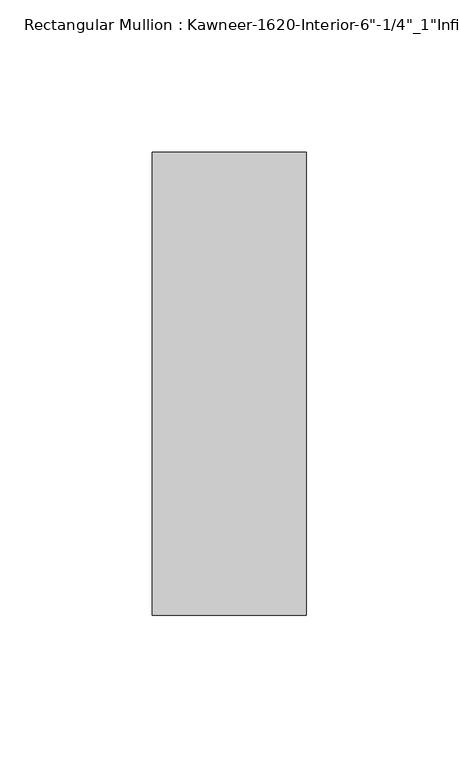
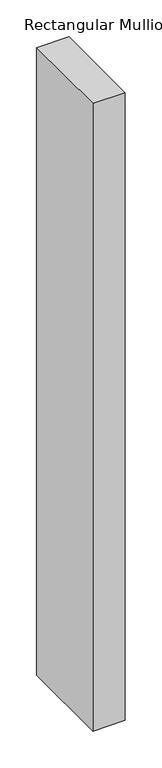
"""IFC4 building model written with IfcOpenShell, lengths in millimetres: member geometry."""

from ifc_helpers import new_model, si_unit, frame, origin, place, context, project, spatial, polyline, outline, extrude, source, transform, mapped, element, save


def member_d7b716b3(model_context):
    return source(origin(), model_context, "Body", "SweptSolid", [
        extrude(outline(polyline([(25.4, -123.825), (-25.4, -123.825), (-25.4, 28.575), (25.4, 28.575), (25.4, -123.825)])), frame((0.0, 0.0, -1039.8125), z_axis=(0.0, 0.0, 1.0), x_axis=(1.0, 0.0, 0.0)), (0.0, 0.0, 1.0), 1039.8125),
    ])


if __name__ == "__main__":
    model = new_model("IFC4")
    model_context = context("Model", 3, world=origin())
    ifc_project = project(units=[si_unit("LENGTHUNIT", "METRE", prefix="MILLI")], contexts=[model_context])
    site = spatial("IfcSite", under=ifc_project)
    building = spatial("IfcBuilding", under=site)
    placement = place(None, origin())
    member_shape = member_d7b716b3(model_context)
    element("IfcMember", 1, ObjectType="Rectangular Mullion : Kawneer-1620-Interior-6\"-1/4\"_1\"Infill", at=placement, inside=building, context=model_context, shape_type="MappedRepresentation", body=[
        mapped(member_shape, transform((0.0, 0.0, 0.0), x_axis=(1.0, 0.0, 0.0), y_axis=(0.0, 1.0, 0.0), z_axis=(0.0, 0.0, 1.0))),
    ])
    save(model, "model.ifc")
